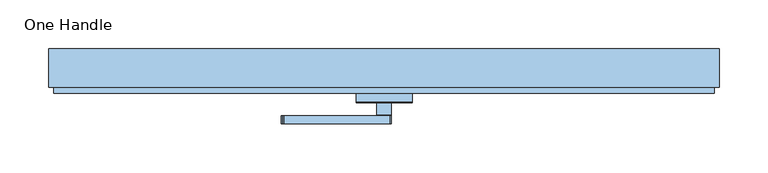
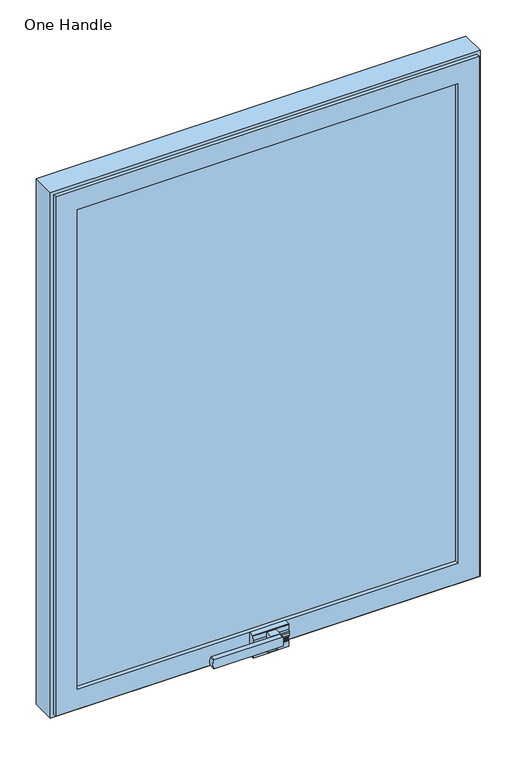
"""IFC4 building model written with IfcOpenShell, lengths in millimetres: window geometry, One Handle."""

from ifc_helpers import new_model, si_unit, point, frame, frame_2d, origin, place, context, project, spatial, polyline, circle_curve, trimmed, segment, composite_curve, outline, extrude, faceted_brep, source, transform, mapped, element, save


def one_handle_e79f9d8b(model_context):
    return source(origin(), model_context, "Body", "SolidModel", [
        extrude(outline(composite_curve([segment(trimmed(circle_curve(frame_2d((45.5999998, -89.6911346)), 15.3642462), [point((52.5642859, -103.3863447))], [point((38.6357141, -103.3863448))], False, "CARTESIAN"), True, "CONTINUOUS"), segment(trimmed(circle_curve(frame_2d((39.0999998, -102.5006594)), 1.0), [point((38.6357141, -103.3863448))], [point((38.0999998, -102.5006594))], False, "CARTESIAN"), True, "CONTINUOUS"), segment(polyline([(38.0999998, -102.5006594), (38.0999998, 5.9079497)]), True, "CONTINUOUS"), segment(trimmed(circle_curve(frame_2d((39.6231378, 5.7802537)), 1.5284814), [point((38.0999998, 5.9079497))], [point((39.4599611, 7.3))], False, "CARTESIAN"), True, "CONTINUOUS"), segment(polyline([(39.4599611, 7.3), (51.7388122, 7.3)]), True, "CONTINUOUS"), segment(trimmed(circle_curve(frame_2d((51.5756355, 5.7802537)), 1.5284814), [point((51.7388122, 7.3))], [point((53.0999998, 5.8923648))], False, "CARTESIAN"), True, "CONTINUOUS"), segment(polyline([(53.0999998, 5.8923648), (53.0999998, -102.5006594)]), True, "CONTINUOUS"), segment(trimmed(circle_curve(frame_2d((52.0999998, -102.5006594)), 1.0), [point((53.0999998, -102.5006594))], [point((52.5642859, -103.3863447))], False, "CARTESIAN"), True, "CONTINUOUS")], self_intersect=False)), frame((0.0, -51.2000547, 0.0), z_axis=(0.0, 1.0, 0.0), x_axis=(0.0, 0.0, 1.0)), (0.0, 0.0, 1.0), 8.0),
        extrude(outline(polyline([(-25.7000547, 16.85), (-27.7349666, 16.85), (-26.5040521, 28.35), (-25.7000547, 28.35), (-25.7000547, 16.85)])), frame((-28.3843646, 0.0, 0.0), z_axis=(1.0, 0.0, 0.0), x_axis=(0.0, 1.0, 0.0)), (0.0, 0.0, 1.0), 57.1446497),
        extrude(outline(composite_curve([segment(polyline([(-26.5040521, 28.35), (-27.7349666, 16.85), (-29.5500547, 16.85), (-29.5500547, 25.95)]), True, "CONTINUOUS"), segment(trimmed(circle_curve(frame_2d((-29.7285731, 26.6918444)), 0.7630216), [point((-29.5500547, 25.95))], [point((-28.9697314, 26.6120869))], True, "CARTESIAN"), True, "CONTINUOUS"), segment(polyline([(-28.9697314, 26.6120869), (-28.7870694, 28.35), (-26.5040521, 28.35)]), True, "CONTINUOUS")], self_intersect=False)), frame((-28.3843646, 0.0, 0.0), z_axis=(1.0, 0.0, 0.0), x_axis=(0.0, 1.0, 0.0)), (0.0, 0.0, 1.0), 57.1446497),
        extrude(outline(composite_curve([segment(polyline([(-27.7000547, 29.4886763), (-27.7000547, 31.1411903)]), True, "CONTINUOUS"), segment(trimmed(circle_curve(frame_2d((-26.3167338, 32.6385156)), 2.038519), [point((-27.7000547, 31.1411903))], [point((-26.3129949, 30.6))], True, "CARTESIAN"), True, "CONTINUOUS"), segment(polyline([(-26.3129949, 30.6), (-24.0387299, 30.6)]), True, "CONTINUOUS"), segment(trimmed(circle_curve(frame_2d((-25.7000547, 32.6)), 2.6), [point((-24.0387299, 30.6))], [point((-26.8500547, 30.2681552))], False, "CARTESIAN"), True, "CONTINUOUS"), segment(polyline([(-26.8500547, 30.2681552), (-26.8500547, 28.35), (-28.3500547, 28.35)]), True, "CONTINUOUS"), segment(trimmed(circle_curve(frame_2d((-27.288963, 28.4991489)), 1.0715227), [point((-28.3500547, 28.35))], [point((-27.7000547, 29.4886763))], False, "CARTESIAN"), True, "CONTINUOUS")], self_intersect=False)), frame((-28.3843646, 0.0, 0.0), z_axis=(1.0, 0.0, 0.0), x_axis=(0.0, 1.0, 0.0)), (0.0, 0.0, 1.0), 57.1446497),
        extrude(outline(composite_curve([segment(polyline([(-20.0000547, 54.6), (-20.0000547, 30.6), (-26.3129949, 30.6)]), True, "CONTINUOUS"), segment(trimmed(circle_curve(frame_2d((-26.3167338, 32.6385156)), 2.038519), [point((-26.3129949, 30.6))], [point((-28.1864672, 31.8263232))], False, "CARTESIAN"), True, "CONTINUOUS"), segment(trimmed(circle_curve(frame_2d((-24.9088814, 35.6010124)), 4.9990847), [point((-28.1864672, 31.8263232))], [point((-29.9079661, 35.6010124))], False, "CARTESIAN"), True, "CONTINUOUS"), segment(polyline([(-29.9079661, 35.6010124), (-29.9079661, 39.3594071), (-29.7632238, 42.119306), (-29.5793071, 45.626168)]), True, "CONTINUOUS"), segment(trimmed(circle_curve(frame_2d((-227.4030097, 56.0270737)), 198.0969363), [point((-29.5793071, 45.626168))], [point((-29.3273225, 53.1256417))], True, "CARTESIAN"), True, "CONTINUOUS"), segment(polyline([(-29.3273225, 53.1256417), (-29.2500547, 54.6), (-20.0000547, 54.6)]), True, "CONTINUOUS")], self_intersect=False)), frame((-28.3843646, 0.0, 0.0), z_axis=(1.0, 0.0, 0.0), x_axis=(0.0, 1.0, 0.0)), (0.0, 0.0, 1.0), 57.1446497),
        extrude(outline(composite_curve([segment(polyline([(-42.2000547, 51.1), (-42.2000547, 53.1), (-30.2000547, 53.1), (-30.2000547, 22.1)]), True, "CONTINUOUS"), segment(trimmed(circle_curve(frame_2d((-31.2000547, 22.1)), 1.0), [point((-30.2000547, 22.1))], [point((-31.2000547, 21.1))], False, "CARTESIAN"), True, "CONTINUOUS"), segment(polyline([(-31.2000547, 21.1), (-34.2000547, 21.1)]), True, "CONTINUOUS"), segment(trimmed(circle_curve(frame_2d((-34.2000547, 22.1)), 1.0), [point((-34.2000547, 21.1))], [point((-35.2000547, 22.1))], False, "CARTESIAN"), True, "CONTINUOUS"), segment(polyline([(-35.2000547, 22.1), (-35.2000547, 38.1), (-42.2000547, 38.1), (-42.2000547, 40.1), (-43.2000547, 40.1), (-43.2000547, 51.1), (-42.2000547, 51.1)]), True, "CONTINUOUS")], self_intersect=False)), frame((-7.3, 0.0, 0.0), z_axis=(1.0, 0.0, 0.0), x_axis=(0.0, 1.0, 0.0)), (0.0, 0.0, 1.0), 14.6),
        extrude(outline(polyline([(303.0823987, 13.9999453), (303.0823987, 24.9999453), (325.1823987, 24.9999453), (325.1823987, 13.9999453), (303.0823987, 13.9999453)])), frame((0.0, 0.0, 32.7710044), z_axis=(0.0, 0.0, 1.0), x_axis=(1.0, 0.0, 0.0)), (0.0, 0.0, 1.0), 851.084375),
        extrude(outline(polyline([(-303.0823987, 13.9999453), (-303.0823987, 24.9999453), (303.0790135, 24.9999453), (303.0790135, 13.9999453), (-303.0823987, 13.9999453)])), frame((0.0, 0.0, 32.7710044), z_axis=(0.0, 0.0, 1.0), x_axis=(1.0, 0.0, 0.0)), (0.0, 0.0, 1.0), 22.0),
        extrude(outline(polyline([(-303.0823987, 13.9999453), (-303.0823987, 24.9999453), (303.0790135, 24.9999453), (303.0790135, 13.9999453), (-303.0823987, 13.9999453)])), frame((0.0, 0.0, 851.2587646), z_axis=(0.0, 0.0, 1.0), x_axis=(1.0, 0.0, 0.0)), (0.0, 0.0, 1.0), 32.5966148),
        extrude(outline(polyline([(-303.0823987, 13.9999453), (-325.0790135, 13.9999453), (-325.0790135, 24.9999453), (-303.0823987, 24.9999453), (-303.0823987, 13.9999453)])), frame((0.0, 0.0, 32.7710044), z_axis=(0.0, 0.0, 1.0), x_axis=(1.0, 0.0, 0.0)), (0.0, 0.0, 1.0), 851.084375),
        faceted_brep([(-325.0790135, 24.9999453, 883.8553794), (-325.0790135, 13.9999453, 883.8553794), (-325.0790135, 13.9999453, 32.7710044), (-325.0790135, 24.9999453, 32.7710044), (-337.0823987, -20.0000547, 895.8587646), (-337.0823987, -13.9998893, 895.8587646), (-337.0823987, -13.9998893, 20.7676191), (-337.0823987, -20.0000547, 20.7676191), (-303.0790135, 13.9999453, 861.8553794), (-303.0790135, -20.0000547, 861.8553794), (-303.0790135, -20.0000547, 54.7710044), (-303.0790135, 13.9999453, 54.7710044), (325.0790135, 13.9999453, 32.7710044), (325.0790135, 24.9999453, 32.7710044), (337.0823987, -13.9998893, 20.7676191), (337.0823987, -20.0000547, 20.7676191), (303.0790135, -20.0000547, 54.7710044), (303.0790135, 13.9999453, 54.7710044), (325.0790135, 13.9999453, 883.8553794), (325.0790135, 24.9999453, 883.8553794), (337.0823987, -13.9998893, 895.8587646), (337.0823987, -20.0000547, 895.8587646), (303.0790135, -20.0000547, 861.8553794), (303.0790135, 13.9999453, 861.8553794), (-342.0823987, 24.9999453, 900.8587646), (342.0823987, 24.9999453, 900.8587646), (342.0823987, 24.9999453, 15.7676191), (-342.0823987, 24.9999453, 15.7676191), (-342.0823987, -13.9998893, 15.7676191), (342.0823987, -13.9998893, 15.7676191), (342.0823987, -13.9998893, 900.8587646), (-342.0823987, -13.9998893, 900.8587646)], [[[0, 1, 2, 3]], [[4, 5, 6, 7]], [[8, 9, 10, 11]], [[3, 2, 12, 13]], [[7, 6, 14, 15]], [[11, 10, 16, 17]], [[13, 12, 18, 19]], [[15, 14, 20, 21]], [[17, 16, 22, 23]], [[19, 18, 1, 0]], [[24, 25, 26, 27], [3, 13, 19, 0]], [[28, 29, 30, 31], [5, 20, 14, 6]], [[21, 20, 5, 4]], [[7, 15, 21, 4], [9, 22, 16, 10]], [[23, 22, 9, 8]], [[1, 18, 12, 2], [11, 17, 23, 8]], [[31, 24, 27, 28]], [[28, 27, 26, 29]], [[29, 26, 25, 30]], [[30, 25, 24, 31]]]),
        extrude(outline(polyline([(303.0790135, 13.9999453), (303.0790135, -14.0000522), (-303.0823987, -14.0000522), (-303.0823987, 13.9999453), (303.0790135, 13.9999453)])), frame((0.0, 0.0, 38.4710044), z_axis=(0.0, 0.0, 1.0), x_axis=(1.0, 0.0, 0.0)), (0.0, 0.0, 1.0), 839.584375),
    ])


if __name__ == "__main__":
    model = new_model("IFC4")
    model_context = context("Model", 3, world=origin())
    ifc_project = project(units=[si_unit("LENGTHUNIT", "METRE", prefix="MILLI")], contexts=[model_context])
    site = spatial("IfcSite", under=ifc_project)
    building = spatial("IfcBuilding", under=site)
    placement = place(None, origin())
    one_handle_shape = one_handle_e79f9d8b(model_context)
    element("IfcWindow", 1, ObjectType="One Handle", at=placement, inside=building, context=model_context, shape_type="MappedRepresentation", body=[
        mapped(one_handle_shape, transform((0.0, 0.0, 0.0), x_axis=(1.0, 0.0, 0.0), y_axis=(0.0, 1.0, 0.0), z_axis=(0.0, 0.0, 1.0))),
    ])
    save(model, "model.ifc")
